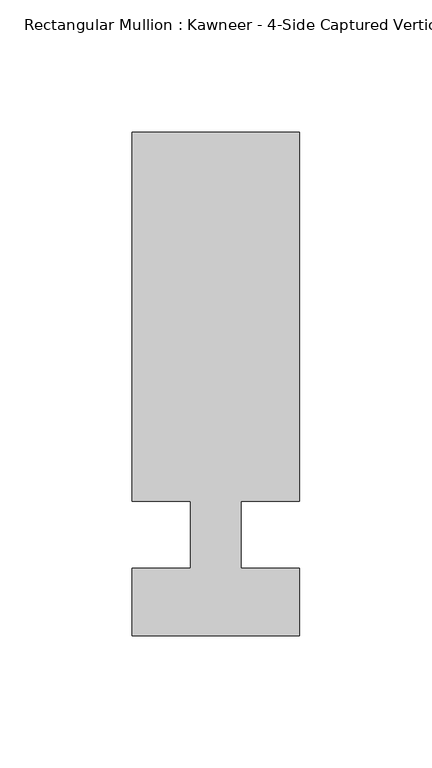
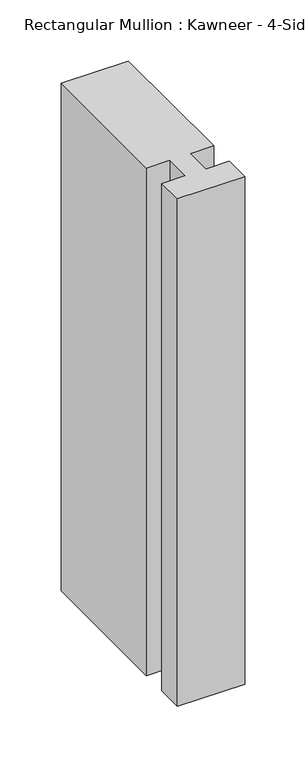
"""IFC4 building model written with IfcOpenShell, lengths in millimetres: member geometry."""

from ifc_helpers import new_model, si_unit, frame, origin, place, context, project, spatial, polyline, outline, extrude, source, transform, mapped, element, save


def member_76a43930(model_context):
    return source(origin(), model_context, "Body", "SweptSolid", [
        extrude(outline(polyline([(-9.5251132, -12.7), (-9.5251132, 12.7), (-31.75, 12.7), (-31.75, 152.399995), (31.75, 152.399995), (31.75, 12.7), (9.5251132, 12.7), (9.5251132, -12.7), (31.75, -12.7), (31.75, -38.1), (-31.75, -38.1), (-31.75, -12.7), (-9.5251132, -12.7)])), frame((0.0, 0.0, -507.51022), z_axis=(0.0, 0.0, 1.0), x_axis=(1.0, 0.0, 0.0)), (0.0, 0.0, 1.0), 507.51022),
    ])


if __name__ == "__main__":
    model = new_model("IFC4")
    model_context = context("Model", 3, world=origin())
    ifc_project = project(units=[si_unit("LENGTHUNIT", "METRE", prefix="MILLI")], contexts=[model_context])
    site = spatial("IfcSite", under=ifc_project)
    building = spatial("IfcBuilding", under=site)
    placement = place(None, origin())
    member_shape = member_76a43930(model_context)
    element("IfcMember", 1, ObjectType="Rectangular Mullion : Kawneer - 4-Side Captured Vertical Mullion - 7 1/2\"", at=placement, inside=building, context=model_context, shape_type="MappedRepresentation", body=[
        mapped(member_shape, transform((0.0, 0.0, 0.0), x_axis=(1.0, 0.0, 0.0), y_axis=(0.0, 1.0, 0.0), z_axis=(0.0, 0.0, 1.0))),
    ])
    save(model, "model.ifc")
